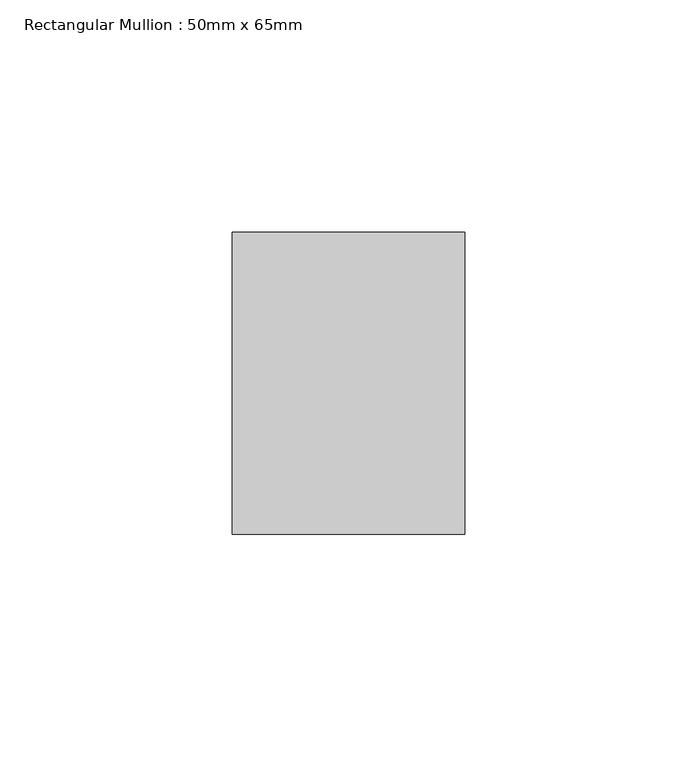
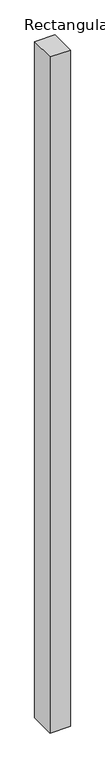
"""IFC4 building model written with IfcOpenShell, lengths in millimetres: member geometry, Rectangular Mullion : 50mm x 65mm."""

from ifc_helpers import new_model, si_unit, frame, origin, place, context, project, spatial, polyline, outline, extrude, source, transform, mapped, element, save


def rectangular_mullion_50mm_x_65mm_5a9788f8(model_context):
    return source(origin(), model_context, "Body", "SweptSolid", [
        extrude(outline(polyline([(25.0, 32.5), (25.0, -32.5), (-25.0, -32.5), (-25.0, 32.5), (25.0, 32.5)])), frame((0.0, 0.0, -1754.4955427), z_axis=(0.0, 0.0, 1.0), x_axis=(1.0, 0.0, 0.0)), (0.0, 0.0, 1.0), 1754.4955427),
    ])


if __name__ == "__main__":
    model = new_model("IFC4")
    model_context = context("Model", 3, world=origin())
    ifc_project = project(units=[si_unit("LENGTHUNIT", "METRE", prefix="MILLI")], contexts=[model_context])
    site = spatial("IfcSite", under=ifc_project)
    building = spatial("IfcBuilding", under=site)
    placement = place(None, origin())
    rectangular_mullion_50mm_x_65mm_shape = rectangular_mullion_50mm_x_65mm_5a9788f8(model_context)
    element("IfcMember", 1, ObjectType="Rectangular Mullion : 50mm x 65mm", at=placement, inside=building, context=model_context, shape_type="MappedRepresentation", body=[
        mapped(rectangular_mullion_50mm_x_65mm_shape, transform((0.0, 0.0, 0.0), x_axis=(1.0, 0.0, 0.0), y_axis=(0.0, 1.0, 0.0), z_axis=(0.0, 0.0, 1.0))),
    ])
    save(model, "model.ifc")
